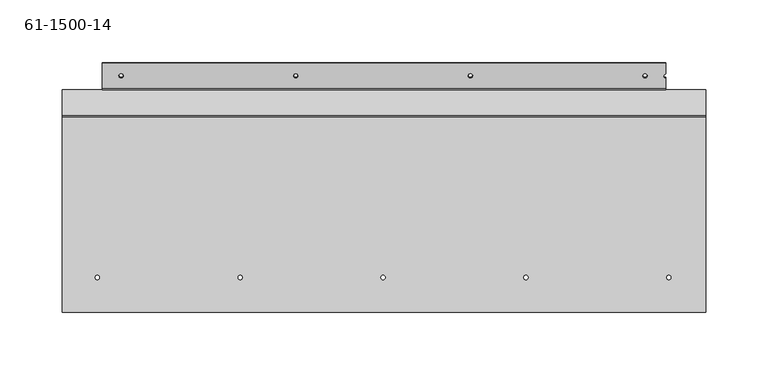
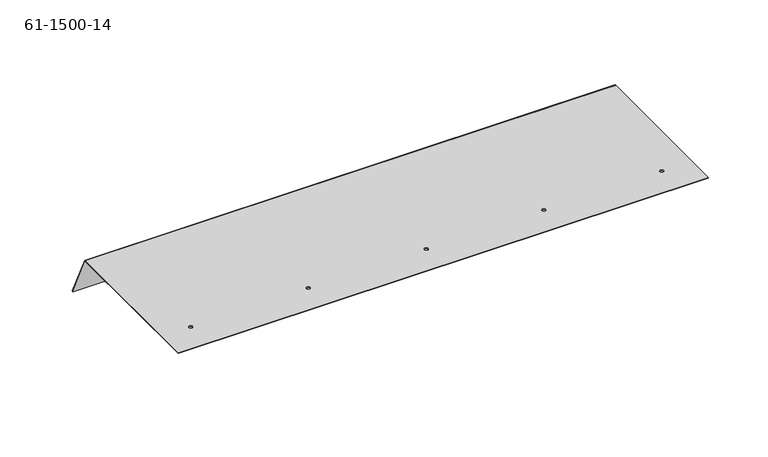
"""IFC4 building model written with IfcOpenShell, lengths in millimetres: proxy geometry, 61-1500-14."""

from ifc_helpers import new_model, si_unit, frame, origin, place, context, project, spatial, polyline, circle_curve, source, transform, mapped, element, save
from ifc_brep_helpers import plane_surface, cylinder_surface, revolved_surface, advanced_brep


def proxy_61_1500_14_c0ee7c6a(model_context):
    return source(origin(), model_context, "Body", "AdvancedBrep", [
        advanced_brep(
        [(-38.2354354, -110.2089788, 0.85344), (-38.2354354, -110.2089788, 0.0), (-34.8064354, -110.2089788, 0.0), (-34.8064354, -110.2089788, 0.85344), (190.3645646, -110.2089788, 0.85344), (190.3645646, -110.2089788, 0.0), (193.7935646, -110.2089788, 0.0), (193.7935646, -110.2089788, 0.85344), (418.9645646, -110.2089788, 0.85344), (418.9645646, -110.2089788, 0.0), (422.3935646, -110.2089788, 0.0), (422.3935646, -110.2089788, 0.85344), (304.6645646, -110.2089788, 0.85344), (304.6645646, -110.2089788, 0.0), (308.0935646, -110.2089788, 0.0), (308.0935646, -110.2089788, 0.85344), (76.0645646, -110.2089788, 0.85344), (76.0645646, -110.2089788, 0.0), (79.4935646, -110.2089788, 0.0), (79.4935646, -110.2089788, 0.85344), (-19.1854354, 51.0418948, -39.4635714), (-19.1854354, 51.4011966, -40.2376916), (-15.7564354, 51.4011966, -40.2376916), (-15.7564354, 51.0418948, -39.4635714), (260.2145646, 51.0418948, -39.4635714), (260.2145646, 51.4011966, -40.2376916), (263.6435646, 51.4011966, -40.2376916), (263.6435646, 51.0418948, -39.4635714), (399.9145646, 51.0418948, -39.4635714), (399.9145646, 51.4011966, -40.2376916), (403.3435646, 51.4011966, -40.2376916), (403.3435646, 51.0418948, -39.4635714), (120.5145646, 51.0418948, -39.4635714), (120.5145646, 51.4011966, -40.2376916), (123.9435646, 51.4011966, -40.2376916), (123.9435646, 51.0418948, -39.4635714), (418.2978146, 52.9563488, -39.5158799), (418.2978146, 52.597047, -38.7417598), (418.2978146, 49.4867427, -40.185383), (418.2978146, 49.8460444, -40.9595032), (418.2978146, 41.4297914, -44.8658407), (-32.6156854, 41.4297914, -44.8658407), (-32.6156854, 61.7688777, -35.4256141), (418.2978146, 61.7688777, -35.4256141), (418.2978146, 41.0704896, -44.0917205), (418.2978146, 39.9370676, -43.6769021), (418.2978146, 39.1629474, -44.0362039), (-32.6156854, 39.1629474, -44.0362039), (-32.6156854, 39.9370676, -43.6769021), (-32.6156854, 41.0704896, -44.0917205), (-32.6156854, 61.4095759, -34.6514939), (-64.3656854, 39.1629474, -44.0362039), (-64.3656854, 39.9370676, -43.6769021), (418.2978146, 61.4095759, -34.6514939), (450.0478146, 39.1629474, -44.0362039), (450.0478146, 39.9370676, -43.6769021), (450.0478146, 19.727361, -0.1348364), (450.0478146, 18.1791206, 0.85344), (450.0478146, -137.9293997, 0.85344), (450.0478146, -137.9293997, 0.0), (450.0478146, 18.1791206, 0.0), (450.0478146, 18.9532408, -0.4941382), (-64.3656854, 19.727361, -0.1348364), (-64.3656854, 18.1791206, 0.85344), (-64.3656854, 18.9532408, -0.4941382), (-64.3656854, 18.1791206, 0.0), (-64.3656854, -137.9293997, 0.85344), (-64.3656854, -137.9293997, 0.0)],
        [
            (0, 1),
            (1, 2, circle_curve(frame((-36.5209354, -110.2089788, 0.0), z_axis=(0.0, 0.0, -1.0), x_axis=(-1.0, 0.0, 0.0)), 1.7145)),
            (2, 3),
            (3, 0, circle_curve(frame((-36.5209354, -110.2089788, 0.85344), z_axis=(0.0, 0.0, 1.0), x_axis=(-1.0, 0.0, 0.0)), 1.7145)),
            (4, 5),
            (5, 6, circle_curve(frame((192.0790646, -110.2089788, 0.0), z_axis=(0.0, 0.0, -1.0), x_axis=(-1.0, 0.0, 0.0)), 1.7145)),
            (6, 7),
            (7, 4, circle_curve(frame((192.0790646, -110.2089788, 0.85344), z_axis=(0.0, 0.0, 1.0), x_axis=(-1.0, 0.0, 0.0)), 1.7145)),
            (8, 9),
            (9, 10, circle_curve(frame((420.6790646, -110.2089788, 0.0), z_axis=(0.0, 0.0, -1.0), x_axis=(-1.0, 0.0, 0.0)), 1.7145)),
            (10, 11),
            (11, 8, circle_curve(frame((420.6790646, -110.2089788, 0.85344), z_axis=(0.0, 0.0, 1.0), x_axis=(-1.0, 0.0, 0.0)), 1.7145)),
            (12, 13),
            (13, 14, circle_curve(frame((306.3790646, -110.2089788, 0.0), z_axis=(0.0, 0.0, -1.0), x_axis=(-1.0, 0.0, 0.0)), 1.7145)),
            (14, 15),
            (15, 12, circle_curve(frame((306.3790646, -110.2089788, 0.85344), z_axis=(0.0, 0.0, 1.0), x_axis=(-1.0, 0.0, 0.0)), 1.7145)),
            (16, 17),
            (17, 18, circle_curve(frame((77.7790646, -110.2089788, 0.0), z_axis=(0.0, 0.0, -1.0), x_axis=(-1.0, 0.0, 0.0)), 1.7145)),
            (18, 19),
            (19, 16, circle_curve(frame((77.7790646, -110.2089788, 0.85344), z_axis=(0.0, 0.0, 1.0), x_axis=(-1.0, 0.0, 0.0)), 1.7145)),
            (20, 21),
            (21, 22, circle_curve(frame((-17.4709354, 51.4011966, -40.2376916), z_axis=(0.0, 0.42100415130196794, -0.9070587106612833), x_axis=(-1.0, 0.0, 0.0)), 1.7145)),
            (22, 23),
            (23, 20, circle_curve(frame((-17.4709354, 51.0418948, -39.4635714), z_axis=(0.0, -0.42100415130196794, 0.9070587106612833), x_axis=(-1.0, 0.0, 0.0)), 1.7145)),
            (24, 25),
            (25, 26, circle_curve(frame((261.9290646, 51.4011966, -40.2376916), z_axis=(0.0, 0.42100415130196794, -0.9070587106612833), x_axis=(-1.0, 0.0, 0.0)), 1.7145)),
            (26, 27),
            (27, 24, circle_curve(frame((261.9290646, 51.0418948, -39.4635714), z_axis=(0.0, -0.42100415130196794, 0.9070587106612833), x_axis=(-1.0, 0.0, 0.0)), 1.7145)),
            (28, 29),
            (29, 30, circle_curve(frame((401.6290646, 51.4011966, -40.2376916), z_axis=(0.0, 0.42100415130196794, -0.9070587106612833), x_axis=(-1.0, 0.0, 0.0)), 1.7145)),
            (30, 31),
            (31, 28, circle_curve(frame((401.6290646, 51.0418948, -39.4635714), z_axis=(0.0, -0.42100415130196794, 0.9070587106612833), x_axis=(-1.0, 0.0, 0.0)), 1.7145)),
            (32, 33),
            (33, 34, circle_curve(frame((122.2290646, 51.4011966, -40.2376916), z_axis=(0.0, 0.42100415130196794, -0.9070587106612833), x_axis=(-1.0, 0.0, 0.0)), 1.7145)),
            (34, 35),
            (35, 32, circle_curve(frame((122.2290646, 51.0418948, -39.4635714), z_axis=(0.0, -0.42100415130196794, 0.9070587106612833), x_axis=(-1.0, 0.0, 0.0)), 1.7145)),
            (36, 37),
            (37, 38, circle_curve(frame((418.2978146, 51.0418948, -39.4635714), z_axis=(0.0, -0.42100415130196794, 0.9070587106612833), x_axis=(-1.0, 0.0, 0.0)), 1.7145)),
            (38, 39),
            (39, 36, circle_curve(frame((418.2978146, 51.4011966, -40.2376916), z_axis=(0.0, 0.42100415130196794, -0.9070587106612833), x_axis=(-1.0, 0.0, 0.0)), 1.7145)),
            (39, 40),
            (40, 41),
            (41, 42),
            (42, 43),
            (43, 36),
            (33, 34, circle_curve(frame((122.2290646, 51.4011966, -40.2376916), z_axis=(0.0, -0.42100415130196794, 0.9070587106612833), x_axis=(-1.0, 0.0, 0.0)), 1.7145)),
            (29, 30, circle_curve(frame((401.6290646, 51.4011966, -40.2376916), z_axis=(0.0, -0.42100415130196794, 0.9070587106612833), x_axis=(-1.0, 0.0, 0.0)), 1.7145)),
            (25, 26, circle_curve(frame((261.9290646, 51.4011966, -40.2376916), z_axis=(0.0, -0.42100415130196794, 0.9070587106612833), x_axis=(-1.0, 0.0, 0.0)), 1.7145)),
            (21, 22, circle_curve(frame((-17.4709354, 51.4011966, -40.2376916), z_axis=(0.0, -0.42100415130196794, 0.9070587106612833), x_axis=(-1.0, 0.0, 0.0)), 1.7145)),
            (38, 44),
            (44, 45, circle_curve(frame((418.2978146, 40.7111878, -43.3176003), z_axis=(-1.0, 0.0, 0.0), x_axis=(0.0, -0.9070587106612843, -0.4210041513019657)), 0.85344)),
            (45, 46),
            (46, 40, circle_curve(frame((418.2978146, 40.7111878, -43.3176003), z_axis=(1.0, 0.0, 0.0), x_axis=(0.0, -0.9070587106612843, -0.4210041513019657)), 1.70688)),
            (41, 47, circle_curve(frame((-32.6156854, 40.7111878, -43.3176003), z_axis=(-1.0, 0.0, 0.0), x_axis=(0.0, -0.9070587106612843, -0.4210041513019657)), 1.70688)),
            (47, 48),
            (48, 49, circle_curve(frame((-32.6156854, 40.7111878, -43.3176003), z_axis=(1.0, 0.0, 0.0), x_axis=(0.0, -0.9070587106612843, -0.4210041513019657)), 0.85344)),
            (49, 50),
            (50, 42),
            (47, 51),
            (51, 52),
            (52, 48),
            (43, 53),
            (53, 37),
            (54, 46),
            (45, 55),
            (55, 54),
            (50, 53),
            (49, 44),
            (23, 20, circle_curve(frame((-17.4709354, 51.0418948, -39.4635714), z_axis=(0.0, 0.42100415130196794, -0.9070587106612833), x_axis=(-1.0, 0.0, 0.0)), 1.7145)),
            (27, 24, circle_curve(frame((261.9290646, 51.0418948, -39.4635714), z_axis=(0.0, 0.42100415130196794, -0.9070587106612833), x_axis=(-1.0, 0.0, 0.0)), 1.7145)),
            (31, 28, circle_curve(frame((401.6290646, 51.0418948, -39.4635714), z_axis=(0.0, 0.42100415130196794, -0.9070587106612833), x_axis=(-1.0, 0.0, 0.0)), 1.7145)),
            (35, 32, circle_curve(frame((122.2290646, 51.0418948, -39.4635714), z_axis=(0.0, 0.42100415130196794, -0.9070587106612833), x_axis=(-1.0, 0.0, 0.0)), 1.7145)),
            (48, 45),
            (55, 56),
            (56, 57, circle_curve(frame((450.0478146, 18.1791206, -0.85344), z_axis=(1.0, 0.0, 0.0), x_axis=(0.0, 0.0, 1.0)), 1.70688)),
            (57, 58),
            (58, 59),
            (59, 60),
            (60, 61, circle_curve(frame((450.0478146, 18.1791206, -0.85344), z_axis=(-1.0, 0.0, 0.0), x_axis=(0.0, 0.0, 1.0)), 0.85344)),
            (61, 54),
            (16, 19, circle_curve(frame((77.7790646, -110.2089788, 0.85344), z_axis=(0.0, 0.0, 1.0), x_axis=(-1.0, 0.0, 0.0)), 1.7145)),
            (18, 17, circle_curve(frame((77.7790646, -110.2089788, 0.0), z_axis=(0.0, 0.0, -1.0), x_axis=(-1.0, 0.0, 0.0)), 1.7145)),
            (12, 15, circle_curve(frame((306.3790646, -110.2089788, 0.85344), z_axis=(0.0, 0.0, 1.0), x_axis=(-1.0, 0.0, 0.0)), 1.7145)),
            (14, 13, circle_curve(frame((306.3790646, -110.2089788, 0.0), z_axis=(0.0, 0.0, -1.0), x_axis=(-1.0, 0.0, 0.0)), 1.7145)),
            (8, 11, circle_curve(frame((420.6790646, -110.2089788, 0.85344), z_axis=(0.0, 0.0, 1.0), x_axis=(-1.0, 0.0, 0.0)), 1.7145)),
            (10, 9, circle_curve(frame((420.6790646, -110.2089788, 0.0), z_axis=(0.0, 0.0, -1.0), x_axis=(-1.0, 0.0, 0.0)), 1.7145)),
            (4, 7, circle_curve(frame((192.0790646, -110.2089788, 0.85344), z_axis=(0.0, 0.0, 1.0), x_axis=(-1.0, 0.0, 0.0)), 1.7145)),
            (6, 5, circle_curve(frame((192.0790646, -110.2089788, 0.0), z_axis=(0.0, 0.0, -1.0), x_axis=(-1.0, 0.0, 0.0)), 1.7145)),
            (0, 3, circle_curve(frame((-36.5209354, -110.2089788, 0.85344), z_axis=(0.0, 0.0, 1.0), x_axis=(-1.0, 0.0, 0.0)), 1.7145)),
            (2, 1, circle_curve(frame((-36.5209354, -110.2089788, 0.0), z_axis=(0.0, 0.0, -1.0), x_axis=(-1.0, 0.0, 0.0)), 1.7145)),
            (46, 47),
            (52, 62),
            (62, 56),
            (62, 63, circle_curve(frame((-64.3656854, 18.1791206, -0.85344), z_axis=(1.0, 0.0, 0.0), x_axis=(0.0, 0.0, 1.0)), 1.70688)),
            (63, 57),
            (64, 61),
            (60, 65),
            (65, 64, circle_curve(frame((-64.3656854, 18.1791206, -0.85344), z_axis=(-1.0, 0.0, 0.0), x_axis=(0.0, 0.0, 1.0)), 0.85344)),
            (63, 66),
            (66, 58),
            (66, 67),
            (67, 59),
            (67, 65),
            (64, 51),
        ],
        [
            revolved_surface(polyline([(-38.2354354, -110.2089788, 0.0), (-38.2354354, -110.2089788, 0.8534400000000009)]), (-36.5209354, -110.2089788, 9.525), (0.0, 0.0, -1.0)),
            revolved_surface(polyline([(190.36456460000002, -110.2089788, 0.0), (190.36456460000002, -110.2089788, 0.8534400000000009)]), (192.0790646, -110.2089788, 9.525), (0.0, 0.0, -1.0)),
            revolved_surface(polyline([(418.9645646, -110.2089788, 0.0), (418.9645646, -110.2089788, 0.8534400000000009)]), (420.6790646, -110.2089788, 9.525), (0.0, 0.0, -1.0)),
            revolved_surface(polyline([(304.6645646, -110.2089788, 0.0), (304.6645646, -110.2089788, 0.8534400000000009)]), (306.3790646, -110.2089788, 9.525), (0.0, 0.0, -1.0)),
            revolved_surface(polyline([(76.0645646, -110.2089788, 0.0), (76.0645646, -110.2089788, 0.8534400000000009)]), (77.7790646, -110.2089788, 9.525), (0.0, 0.0, -1.0)),
            revolved_surface(polyline([(-19.1854354, 51.40119666477072, -40.237691569937176), (-19.1854354, 51.04189487351437, -39.463571365878884)]), (-17.4709354, 47.3911321, -31.5979573), (0.0, 0.42100415130196794, -0.9070587106612833)),
            revolved_surface(polyline([(260.2145646, 51.40119666477072, -40.237691569937176), (260.2145646, 51.04189487351437, -39.463571365878884)]), (261.9290646, 47.3911321, -31.5979573), (0.0, 0.42100415130196794, -0.9070587106612833)),
            revolved_surface(polyline([(399.9145646, 51.40119666477072, -40.237691569937176), (399.9145646, 51.04189487351437, -39.463571365878884)]), (401.6290646, 47.3911321, -31.5979573), (0.0, 0.42100415130196794, -0.9070587106612833)),
            revolved_surface(polyline([(120.5145646, 51.40119666477072, -40.237691569937176), (120.5145646, 51.04189487351437, -39.463571365878884)]), (122.2290646, 47.3911321, -31.5979573), (0.0, 0.42100415130196794, -0.9070587106612833)),
            revolved_surface(polyline([(416.5833146, 51.40119666477072, -40.237691569937176), (416.5833146, 51.04189487351437, -39.463571365878884)]), (418.2978146, 47.3911321, -31.5979573), (0.0, 0.42100415130196794, -0.9070587106612833)),
            plane_surface(frame((192.8410646, 50.8252143, -40.5050292), z_axis=(0.0, 0.42100415130196794, -0.9070587106612833), x_axis=(1.0, 0.0, 0.0))),
            plane_surface(frame((418.2978146, 39.4333386, -45.7924785), z_axis=(1.0, 0.0, 0.0), x_axis=(0.0, 0.0, 1.0))),
            plane_surface(frame((-32.6156854, 61.7688777, -35.4256141), z_axis=(-1.0, 0.0, 0.0), x_axis=(0.0, 0.0, -1.0))),
            plane_surface(frame((-48.4906854, 49.8825046, -39.0608059), z_axis=(0.0, 0.421004151301968, -0.9070587106612833), x_axis=(1.0, 0.0, 0.0))),
            plane_surface(frame((434.1728146, 49.8825046, -39.0608059), z_axis=(0.0, 0.42100415130196805, -0.9070587106612833), x_axis=(1.0, 0.0, 0.0))),
            plane_surface(frame((-64.3656854, 61.7688777, -35.4256141), z_axis=(0.0, 0.9070587106612824, 0.4210041513019701), x_axis=(0.0, -0.4210041513019701, 0.9070587106612824))),
            plane_surface(frame((192.8410646, 50.4659125, -39.730909), z_axis=(0.0, -0.421004151301968, 0.9070587106612833), x_axis=(1.0, 0.0, 0.0))),
            revolved_surface(polyline([(418.2978145999999, 39.937067613973234, -43.67690208288715), (-32.61568539999993, 39.937067613973234, -43.67690208288715)]), (192.8410646, 40.7111878, -43.3176003), (0.9999999999999999, 0.0, 0.0)),
            plane_surface(frame((450.0478146, 61.7688777, -35.4256141), z_axis=(1.0, 0.0, 0.0), x_axis=(0.0, 0.0, -1.0))),
            cylinder_surface(frame((192.8410646, 40.7111878, -43.3176003), z_axis=(0.9999999999999999, 0.0, 0.0), x_axis=(0.0, -0.9070587106612843, -0.4210041513019657)), 1.70688),
            plane_surface(frame((192.8410646, 29.9621657, -22.1858513), z_axis=(0.0, 0.9070587106612833, 0.42100415130196794), x_axis=(0.0, -0.42100415130196794, 0.9070587106612833))),
            cylinder_surface(frame((192.8410646, 18.1791206, -0.85344), z_axis=(-1.0, 0.0, 0.0), x_axis=(0.0, 0.0, 1.0)), 1.70688),
            revolved_surface(polyline([(-64.36568539999999, 18.1791206, 0.0), (450.0478145999999, 18.1791206, 0.0)]), (192.8410646, 18.1791206, -0.85344), (-1.0, 0.0, 0.0)),
            plane_surface(frame((192.8410646, -59.3303697, 0.85344), z_axis=(0.0, 0.0, 1.0), x_axis=(1.0, 0.0, 0.0))),
            plane_surface(frame((450.0478146, -137.9293997, 0.0), z_axis=(0.0, -1.0, 0.0), x_axis=(0.0, 0.0, -1.0))),
            plane_surface(frame((192.8410646, -59.3303697, 0.0), z_axis=(0.0, 0.0, -1.0), x_axis=(1.0, 0.0, 0.0))),
            plane_surface(frame((192.8410646, 29.1880455, -22.545153), z_axis=(0.0, -0.9070587106612833, -0.4210041513019679), x_axis=(0.0, -0.4210041513019679, 0.9070587106612833))),
            plane_surface(frame((-64.3656854, 39.881551, -45.5844443), z_axis=(-1.0, 0.0, 0.0), x_axis=(0.0, 0.0, 1.0))),
        ],
        [
            (0, [[1, 2, 3, 4]]),
            (1, [[5, 6, 7, 8]]),
            (2, [[9, 10, 11, 12]]),
            (3, [[13, 14, 15, 16]]),
            (4, [[17, 18, 19, 20]]),
            (5, [[21, 22, 23, 24]]),
            (6, [[25, 26, 27, 28]]),
            (7, [[29, 30, 31, 32]]),
            (8, [[33, 34, 35, 36]]),
            (9, [[37, 38, 39, 40]]),
            (10, [[-40, 41, 42, 43, 44, 45], [46, -34], [47, -30], [48, -26], [49, -22]]),
            (11, [[-39, 50, 51, 52, 53, -41]]),
            (12, [[54, 55, 56, 57, 58, -43]]),
            (13, [[59, 60, 61, -55]]),
            (11, [[-37, -45, 62, 63]]),
            (14, [[64, -52, 65, 66]]),
            (15, [[-58, 67, -62, -44]]),
            (16, [[-38, -63, -67, -57, 68, -50], [69, -24], [70, -28], [71, -32], [72, -36]]),
            (17, [[-56, 73, -51, -68]]),
            (18, [[-66, 74, 75, 76, 77, 78, 79, 80]]),
            (8, [[-33, -72, -35, -46]]),
            (7, [[-29, -71, -31, -47]]),
            (6, [[-25, -70, -27, -48]]),
            (5, [[-21, -69, -23, -49]]),
            (4, [[-17, 81, -19, 82]]),
            (3, [[-13, 83, -15, 84]]),
            (2, [[-9, 85, -11, 86]]),
            (1, [[-5, 87, -7, 88]]),
            (0, [[-1, 89, -3, 90]]),
            (19, [[-54, -42, -53, 91]]),
            (20, [[-65, -73, -61, 92, 93, -74]]),
            (21, [[-93, 94, 95, -75]]),
            (22, [[96, -79, 97, 98]]),
            (23, [[-95, 99, 100, -76], [-81, -20], [-83, -16], [-85, -12], [-87, -8], [-89, -4]]),
            (24, [[-100, 101, 102, -77]]),
            (25, [[-97, -78, -102, 103], [-82, -18], [-84, -14], [-86, -10], [-88, -6], [-90, -2]]),
            (26, [[-59, -91, -64, -80, -96, 104]]),
            (27, [[-60, -104, -98, -103, -101, -99, -94, -92]]),
        ],
    ),
    ])


if __name__ == "__main__":
    model = new_model("IFC4")
    model_context = context("Model", 3, world=origin())
    ifc_project = project(units=[si_unit("LENGTHUNIT", "METRE", prefix="MILLI")], contexts=[model_context])
    site = spatial("IfcSite", under=ifc_project)
    building = spatial("IfcBuilding", under=site)
    placement = place(None, origin())
    proxy_61_1500_14_shape = proxy_61_1500_14_c0ee7c6a(model_context)
    element("IfcBuildingElementProxy", 1, Name="61-1500-14", ObjectType="61-1500-14", at=placement, inside=building, context=model_context, shape_type="MappedRepresentation", body=[
        mapped(proxy_61_1500_14_shape, transform((0.0, 0.0, 0.0), x_axis=(1.0, 0.0, 0.0), y_axis=(0.0, 1.0, 0.0), z_axis=(0.0, 0.0, 1.0))),
    ])
    save(model, "model.ifc")
